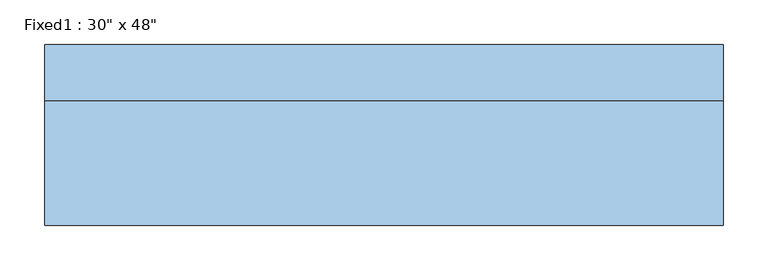
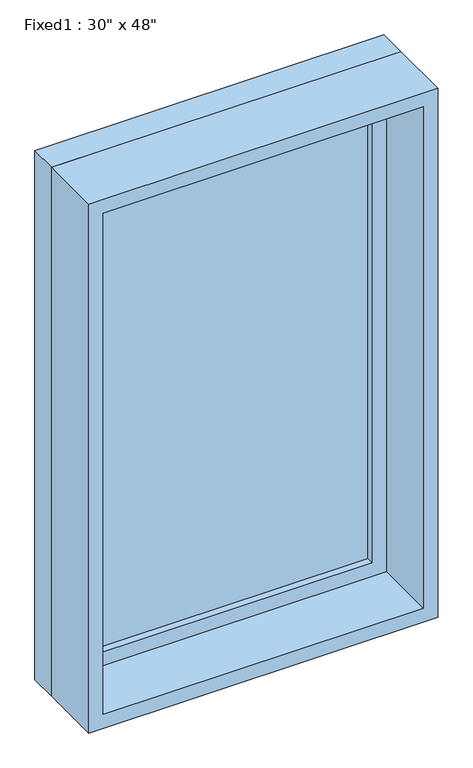
"""IFC4 building model written with IfcOpenShell, lengths in millimetres: window geometry."""

from ifc_helpers import new_model, si_unit, frame, origin, place, context, project, spatial, polyline, outline, extrude, source, transform, mapped, element, save


def window_03b46483(model_context):
    return source(origin(), model_context, "Body", "SweptSolid", [
        extrude(outline(polyline([(279.4, 53.975), (-355.6, 53.975), (-355.6, 66.675), (279.4, 66.675), (279.4, 53.975)])), frame((0.0, 0.0, 977.9), z_axis=(0.0, 0.0, 1.0), x_axis=(1.0, 0.0, 0.0)), (0.0, 0.0, 1.0), 1092.2),
        extrude(outline(polyline([(2114.55, -400.05), (933.45, -400.05), (933.45, 323.85), (2114.55, 323.85), (2114.55, -400.05)]), holes=[polyline([(2070.1, -355.6), (2070.1, 279.4), (977.9, 279.4), (977.9, -355.6), (2070.1, -355.6)])]), frame((0.0, 38.1, 0.0), z_axis=(0.0, 1.0, 0.0), x_axis=(0.0, 0.0, 1.0)), (0.0, 0.0, 1.0), 44.45),
        extrude(outline(polyline([(2133.6, -419.1), (914.4, -419.1), (914.4, 342.9), (2133.6, 342.9), (2133.6, -419.1)]), holes=[polyline([(2101.85, -387.35), (2101.85, 311.15), (946.15, 311.15), (946.15, -387.35), (2101.85, -387.35)])]), frame((0.0, -101.6, 0.0), z_axis=(0.0, 1.0, 0.0), x_axis=(0.0, 0.0, 1.0)), (0.0, 0.0, 1.0), 139.7),
        extrude(outline(polyline([(2133.6, 342.9), (2133.6, -419.1), (914.4, -419.1), (914.4, 342.9), (2133.6, 342.9)]), holes=[polyline([(2114.55, 323.85), (933.45, 323.85), (933.45, -400.05), (2114.55, -400.05), (2114.55, 323.85)])]), frame((0.0, 38.1, 0.0), z_axis=(0.0, 1.0, 0.0), x_axis=(0.0, 0.0, 1.0)), (0.0, 0.0, 1.0), 63.5),
    ])


if __name__ == "__main__":
    model = new_model("IFC4")
    model_context = context("Model", 3, world=origin())
    ifc_project = project(units=[si_unit("LENGTHUNIT", "METRE", prefix="MILLI")], contexts=[model_context])
    site = spatial("IfcSite", under=ifc_project)
    building = spatial("IfcBuilding", under=site)
    placement = place(None, origin())
    window_shape = window_03b46483(model_context)
    element("IfcWindow", 1, ObjectType="Fixed1 : 30\" x 48\"", at=placement, inside=building, context=model_context, shape_type="MappedRepresentation", body=[
        mapped(window_shape, transform((0.0, 0.0, 0.0), x_axis=(1.0, 0.0, 0.0), y_axis=(0.0, 1.0, 0.0), z_axis=(0.0, 0.0, 1.0))),
    ])
    save(model, "model.ifc")
